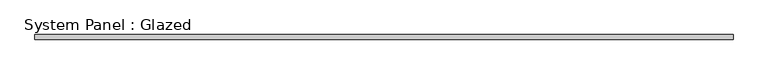
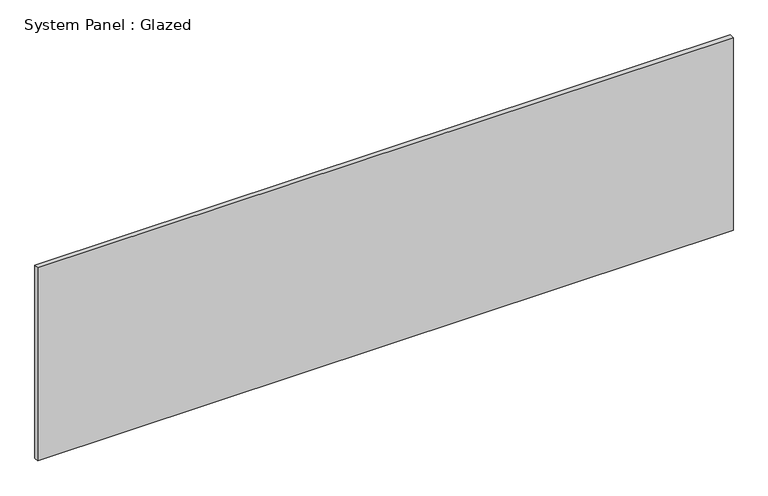
"""IFC4 building model written with IfcOpenShell, lengths in millimetres: plate geometry, System Panel : Glazed."""

from ifc_helpers import new_model, si_unit, origin, origin_with_axes, place, context, project, spatial, polyline, outline, extrude, source, transform, mapped, element, save


def system_panel_glazed_801c9e48(model_context):
    return source(origin(), model_context, "Body", "SweptSolid", [
        extrude(outline(polyline([(1916.956462, 19.05), (-1916.956462, 19.05), (-1916.956462, 44.45), (1916.956462, 44.45), (1916.956462, 19.05)])), origin_with_axes(), (0.0, 0.0, 1.0), 1123.95),
    ])


if __name__ == "__main__":
    model = new_model("IFC4")
    model_context = context("Model", 3, world=origin())
    ifc_project = project(units=[si_unit("LENGTHUNIT", "METRE", prefix="MILLI")], contexts=[model_context])
    site = spatial("IfcSite", under=ifc_project)
    building = spatial("IfcBuilding", under=site)
    placement = place(None, origin())
    system_panel_glazed_shape = system_panel_glazed_801c9e48(model_context)
    element("IfcPlate", 1, ObjectType="System Panel : Glazed", at=placement, inside=building, context=model_context, shape_type="MappedRepresentation", body=[
        mapped(system_panel_glazed_shape, transform((0.0, 0.0, 0.0), x_axis=(1.0, 0.0, 0.0), y_axis=(0.0, 1.0, 0.0), z_axis=(0.0, 0.0, 1.0))),
    ])
    save(model, "model.ifc")
